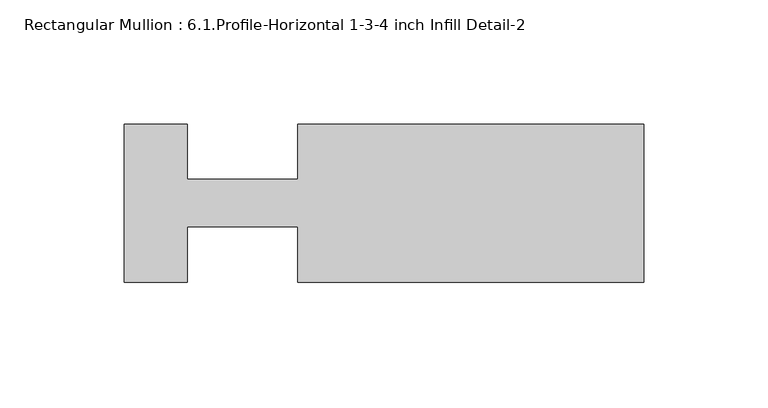
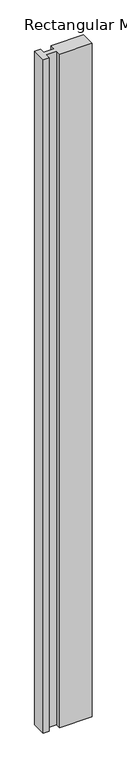
"""IFC4 building model written with IfcOpenShell, lengths in millimetres: member geometry, Rectangular Mullion : 6.1.Profile-Horizontal 1-3-4 inch Infill Detail-2."""

from ifc_helpers import new_model, si_unit, frame, origin, place, context, project, spatial, polyline, outline, extrude, source, transform, mapped, element, save


def rectangular_mullion_6_1_profile_horizontal_1_3_4_inch_infill_16e18da1(model_context):
    return source(origin(), model_context, "Body", "SweptSolid", [
        extrude(outline(polyline([(-139.28725, -31.75), (-139.28725, -9.5251132), (-183.642, -9.5251132), (-183.642, -31.75), (-209.042, -31.75), (-209.042, 31.75), (-183.642, 31.75), (-183.642, 9.5251132), (-139.192, 9.5251132), (-139.192, 31.7499997), (0.0, 31.7499997), (0.0, -31.75), (-139.28725, -31.75)])), frame((0.0, 0.0, -3048.0), z_axis=(0.0, 0.0, 1.0), x_axis=(1.0, 0.0, 0.0)), (0.0, 0.0, 1.0), 3048.0),
    ])


if __name__ == "__main__":
    model = new_model("IFC4")
    model_context = context("Model", 3, world=origin())
    ifc_project = project(units=[si_unit("LENGTHUNIT", "METRE", prefix="MILLI")], contexts=[model_context])
    site = spatial("IfcSite", under=ifc_project)
    building = spatial("IfcBuilding", under=site)
    placement = place(None, origin())
    rectangular_mullion_6_1_profile_horizontal_1_3_4_inch_infill_shape = rectangular_mullion_6_1_profile_horizontal_1_3_4_inch_infill_16e18da1(model_context)
    element("IfcMember", 1, ObjectType="Rectangular Mullion : 6.1.Profile-Horizontal 1-3-4 inch Infill Detail-2", at=placement, inside=building, context=model_context, shape_type="MappedRepresentation", body=[
        mapped(rectangular_mullion_6_1_profile_horizontal_1_3_4_inch_infill_shape, transform((0.0, 0.0, 0.0), x_axis=(1.0, 0.0, 0.0), y_axis=(0.0, 1.0, 0.0), z_axis=(0.0, 0.0, 1.0))),
    ])
    save(model, "model.ifc")
